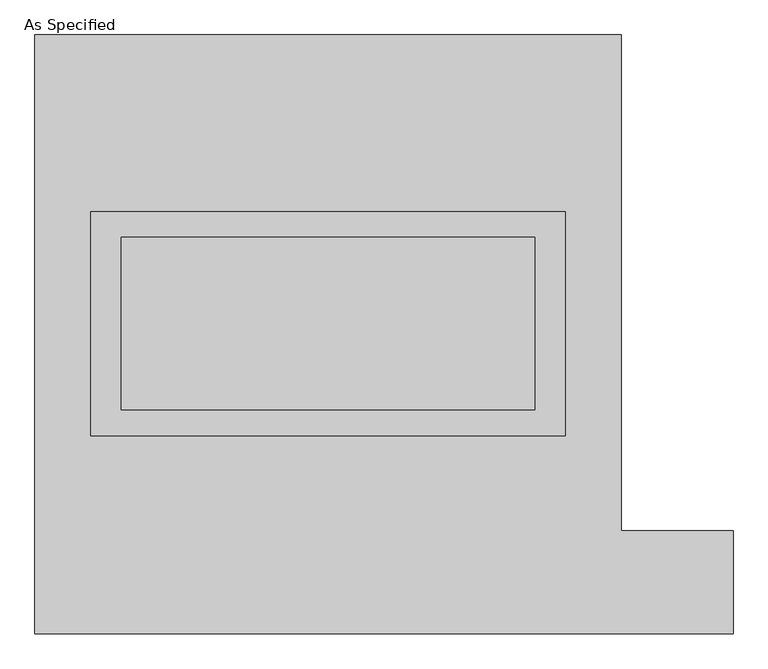
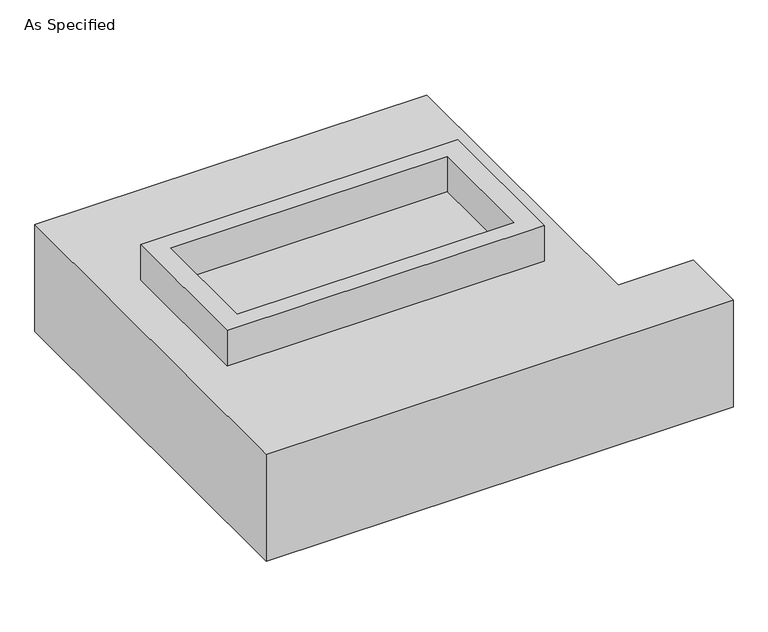
"""IFC4 building model written with IfcOpenShell, lengths in millimetres: proxy geometry, As Specified."""

from ifc_helpers import new_model, si_unit, frame, origin, place, context, project, spatial, polyline, outline, extrude, source, transform, mapped, element, save


def as_specified_d224fafb(model_context):
    return source(origin(), model_context, "Body", "SweptSolid", [
        extrude(outline(polyline([(698.5, 361.95), (698.5, -298.45), (-698.5, -298.45), (-698.5, 361.95), (698.5, 361.95)]), holes=[polyline([(609.6, 285.75), (-609.6, 285.75), (-609.6, -222.25), (609.6, -222.25), (609.6, 285.75)])]), frame((0.0, 0.0, -688.975), z_axis=(0.0, 0.0, 1.0), x_axis=(1.0, 0.0, 0.0)), (0.0, 0.0, 1.0), 165.1),
        extrude(outline(polyline([(698.5, 361.95), (698.5, -298.45), (-698.5, -298.45), (-698.5, 361.95), (698.5, 361.95)]), holes=[polyline([(609.6, 285.75), (-609.6, 285.75), (-609.6, -222.25), (609.6, -222.25), (609.6, 285.75)])]), frame((0.0, 0.0, -25.4), z_axis=(0.0, 0.0, 1.0), x_axis=(1.0, 0.0, 0.0)), (0.0, 0.0, 1.0), 165.1),
        extrude(outline(polyline([(609.6, 285.75), (609.6, -222.25), (-609.6, -222.25), (-609.6, 285.75), (609.6, 285.75)])), frame((0.0, 0.0, -523.875), z_axis=(0.0, 0.0, 1.0), x_axis=(1.0, 0.0, 0.0)), (0.0, 0.0, 1.0), 4.9609375),
        extrude(outline(polyline([(609.6, 285.75), (609.6, -222.25), (-609.6, -222.25), (-609.6, 285.75), (609.6, 285.75)])), frame((0.0, 0.0, -30.3609375), z_axis=(0.0, 0.0, 1.0), x_axis=(1.0, 0.0, 0.0)), (0.0, 0.0, 1.0), 4.9609375),
        extrude(outline(polyline([(-863.6, 882.65), (863.6, 882.65), (863.6, -577.85), (1193.8, -577.85), (1193.8, -882.65), (-863.6, -882.65), (-863.6, 882.65)]), holes=[polyline([(-698.5, 361.95), (-698.5, -298.45), (698.5, -298.45), (698.5, 361.95), (-698.5, 361.95)])]), frame((0.0, 0.0, -523.875), z_axis=(0.0, 0.0, 1.0), x_axis=(1.0, 0.0, 0.0)), (0.0, 0.0, 1.0), 498.475),
    ])


if __name__ == "__main__":
    model = new_model("IFC4")
    model_context = context("Model", 3, world=origin())
    ifc_project = project(units=[si_unit("LENGTHUNIT", "METRE", prefix="MILLI")], contexts=[model_context])
    site = spatial("IfcSite", under=ifc_project)
    building = spatial("IfcBuilding", under=site)
    placement = place(None, origin())
    as_specified_shape = as_specified_d224fafb(model_context)
    element("IfcBuildingElementProxy", 1, Name="As Specified", ObjectType="As Specified", at=placement, inside=building, context=model_context, shape_type="MappedRepresentation", body=[
        mapped(as_specified_shape, transform((0.0, 0.0, 0.0), x_axis=(1.0, 0.0, 0.0), y_axis=(0.0, 1.0, 0.0), z_axis=(0.0, 0.0, 1.0))),
    ])
    save(model, "model.ifc")
